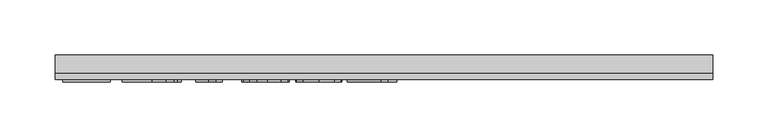
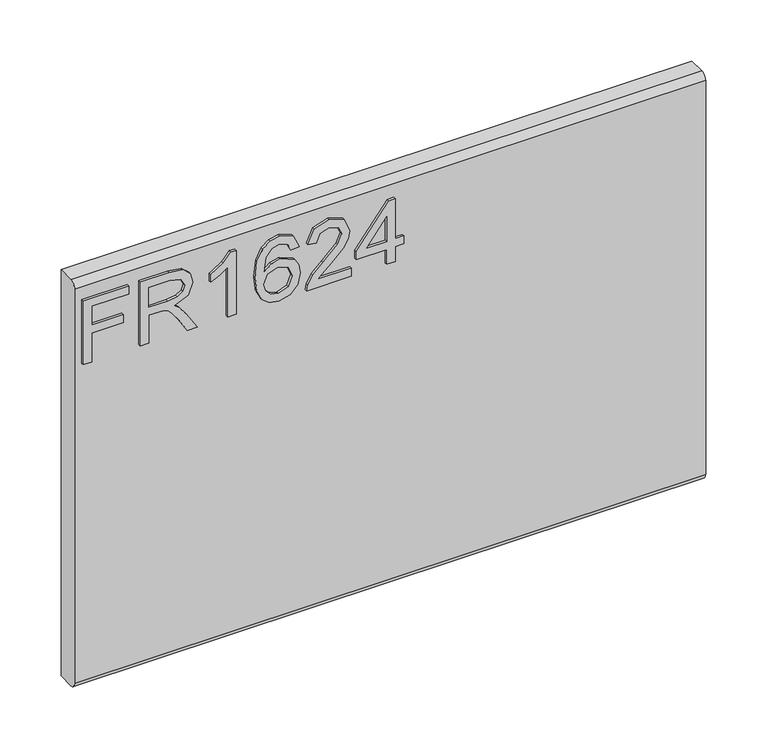
"""IFC4 building model written with IfcOpenShell, lengths in millimetres: furniture geometry."""

from ifc_helpers import new_model, si_unit, frame, origin, place, context, project, spatial, polyline, circle_curve, outline, extrude, source, transform, mapped, element, save
from ifc_brep_helpers import plane_surface, cylinder_surface, advanced_brep


def furniture_5d6506b7(model_context):
    return source(origin(), model_context, "Body", "SolidModel", [
        extrude(outline(polyline([(882.65, -291.4729953), (882.65, -283.4992757), (911.5547336, -283.4992757), (911.5547336, -253.5978271), (919.5284532, -253.5978271), (919.5284532, -283.4992757), (938.4660373, -283.4992757), (938.4660373, -248.6142524), (946.4397569, -248.6142524), (946.4397569, -291.4729953), (882.65, -291.4729953)])), frame((0.0, -15.0812439, 0.0), z_axis=(0.0, 1.0, 0.0), x_axis=(0.0, 0.0, 1.0)), (0.0, 0.0, 1.0), 2.38125),
        extrude(outline(polyline([(882.65, -237.6503879), (882.65, -229.6766683), (910.5580187, -229.6766683), (910.5580187, -220.0521395), (910.2776926, -215.4267592), (908.7592596, -211.6345703), (904.62445, -207.4218923), (895.8720468, -201.4260289), (882.65, -193.1252622), (882.65, -183.8589278), (899.936775, -194.4957452), (908.1440996, -200.9588187), (911.5547336, -205.490757), (917.4883023, -192.136334), (928.9816716, -187.8146403), (938.6295609, -190.4232302), (944.7188663, -197.4002349), (946.4397569, -210.1628584), (946.4397569, -237.6503879), (882.65, -237.6503879)]), holes=[polyline([(918.5317383, -229.6766683), (938.4660373, -229.6766683), (938.4660373, -209.8202376), (935.7094975, -199.1600597), (928.6857719, -195.7883599), (923.2739211, -197.5559716), (919.6608294, -202.7264304), (918.5317383, -211.8292412), (918.5317383, -229.6766683)])]), frame((0.0, -15.0812439, 0.0), z_axis=(0.0, 1.0, 0.0), x_axis=(0.0, 0.0, 1.0)), (0.0, 0.0, 1.0), 2.38125),
        extrude(outline(polyline([(882.65, -146.9493273), (946.4397569, -146.9493273), (946.4397569, -152.0886387), (937.9521062, -159.1824459), (930.4923177, -170.8704861), (922.9546609, -170.8704861), (926.9804549, -162.4762774), (932.3611582, -154.9230469), (882.65, -154.9230469), (882.65, -146.9493273)])), frame((0.0, -15.0812439, 0.0), z_axis=(0.0, 1.0, 0.0), x_axis=(0.0, 0.0, 1.0)), (0.0, 0.0, 1.0), 2.38125),
        extrude(outline(polyline([(929.4956028, -87.1464301), (941.938966, -93.0332778), (946.4397569, -105.6323778), (944.6215308, -114.8870318), (939.1668525, -122.0314534), (928.3081103, -127.2642069), (912.4268592, -129.0084581), (898.3015395, -127.437464), (888.8171738, -122.7244818), (883.4442572, -115.5197122), (881.653285, -106.473356), (884.355317, -96.0234227), (892.1421526, -88.7816656), (903.1449512, -86.1497152), (911.3172351, -87.5474522), (917.8309231, -91.7406631), (923.515313, -105.289757), (921.4362279, -114.003226), (915.0743833, -121.0347385), (929.2853582, -118.7687693), (936.5349021, -113.3257713), (938.4660373, -106.1307352), (935.1488454, -98.1414419), (928.4988878, -95.1201497), (929.4956028, -87.1464301)]), holes=[polyline([(903.2695406, -121.0347385), (912.15432, -117.0712392), (915.5415934, -107.4233499), (912.15432, -97.6508713), (902.8801988, -94.1234348), (893.1933754, -97.6975923), (889.6270047, -107.0963028), (891.3478953, -114.2835521), (896.3626174, -119.1892585), (903.2695406, -121.0347385)])]), frame((0.0, -15.0812439, 0.0), z_axis=(0.0, 1.0, 0.0), x_axis=(0.0, 0.0, 1.0)), (0.0, 0.0, 1.0), 2.38125),
        extrude(outline(polyline([(890.6237196, -38.3073975), (890.6237196, -69.6260501), (894.6806609, -66.0285321), (902.350694, -56.8556398), (913.2756243, -45.432352), (921.0936072, -40.7213165), (928.6546245, -39.3041124), (941.3315928, -44.5602264), (946.4397569, -58.833496), (941.845524, -73.0600446), (928.4988878, -79.1727105), (927.5021729, -71.1989909), (935.5537608, -67.8428648), (938.4660373, -59.0048064), (935.4836793, -50.5249425), (928.1718407, -47.277832), (919.1391115, -50.7196133), (905.85477, -64.4867386), (896.6117962, -74.4694618), (888.1475059, -79.3128735), (882.65, -80.1694255), (882.65, -38.3073975), (890.6237196, -38.3073975)])), frame((0.0, -15.0812439, 0.0), z_axis=(0.0, 1.0, 0.0), x_axis=(0.0, 0.0, 1.0)), (0.0, 0.0, 1.0), 2.38125),
        extrude(outline(polyline([(882.65, -4.4190891), (882.65, 3.5546305), (897.6007243, 3.5546305), (897.6007243, 11.5283502), (905.5744439, 11.5283502), (905.5744439, 3.5546305), (945.443042, 3.5546305), (945.443042, -2.4256592), (905.5744439, -33.3238227), (897.6007243, -33.3238227), (897.6007243, -4.4190891), (882.65, -4.4190891)]), holes=[polyline([(905.5744439, -4.4190891), (905.5744439, -23.5124099), (930.2119916, -4.4190891), (905.5744439, -4.4190891)])]), frame((0.0, -15.0812439, 0.0), z_axis=(0.0, 1.0, 0.0), x_axis=(0.0, 0.0, 1.0)), (0.0, 0.0, 1.0), 2.38125),
        advanced_brep(
        [(298.45, 9.5250061, 965.2), (298.45, -6.7309939, 965.2), (298.45, -12.6999939, 959.231), (298.45, -12.6999939, 564.769), (298.45, -6.7309939, 558.8), (298.45, 9.5250061, 558.8), (-298.45, 9.5250061, 965.2), (-298.45, 9.5250061, 558.8), (-298.45, -6.7309939, 558.8), (-298.45, -12.6999939, 564.769), (-298.45, -12.6999939, 959.2310121), (-298.45, -6.7309939, 965.2)],
        [
            (0, 1),
            (1, 2, circle_curve(frame((298.45, -6.7309939, 959.231), z_axis=(1.0, 0.0, 0.0), x_axis=(0.0, 1.0, 0.0)), 5.969)),
            (2, 3),
            (3, 4, circle_curve(frame((298.45, -6.7309939, 564.769), z_axis=(1.0, 0.0, 0.0), x_axis=(0.0, 1.0, 0.0)), 5.969)),
            (4, 5),
            (5, 0),
            (6, 7),
            (7, 8),
            (8, 9, circle_curve(frame((-298.45, -6.7309939, 564.769), z_axis=(-1.0, 0.0, 0.0), x_axis=(0.0, 1.0, 0.0)), 5.969)),
            (9, 10),
            (10, 11, circle_curve(frame((-298.45, -6.7309939, 959.231), z_axis=(-1.0, 0.0, 0.0), x_axis=(0.0, 1.0, 0.0)), 5.969)),
            (11, 6),
            (0, 6),
            (11, 1),
            (10, 2),
            (9, 3),
            (8, 4),
            (7, 5),
        ],
        [
            plane_surface(frame((298.45, -6.7309939, 965.2), z_axis=(1.0, 0.0, 0.0), x_axis=(0.0, -1.0, 0.0))),
            plane_surface(frame((-298.45, -6.7309939, 965.2), z_axis=(-1.0, 0.0, 0.0), x_axis=(0.0, 1.0, 0.0))),
            plane_surface(frame((298.45, 9.5250061, 965.2), z_axis=(0.0, 0.0, 1.0), x_axis=(-1.0, 0.0, 0.0))),
            cylinder_surface(frame((-298.45, -6.7309939, 959.231), z_axis=(1.0, 0.0, 0.0), x_axis=(0.0, 1.0, 0.0)), 5.969),
            plane_surface(frame((298.45, -12.6999939, 959.2310121), z_axis=(0.0, -1.0, 0.0), x_axis=(-1.0, 0.0, 0.0))),
            cylinder_surface(frame((-298.45, -6.7309939, 564.769), z_axis=(1.0, 0.0, 0.0), x_axis=(0.0, 1.0, 0.0)), 5.969),
            plane_surface(frame((298.45, -6.7309939, 558.8), z_axis=(0.0, 0.0, -1.0), x_axis=(-1.0, 0.0, 0.0))),
            plane_surface(frame((298.45, 9.5250061, 558.8), z_axis=(0.0, 1.0, 0.0), x_axis=(-1.0, 0.0, 0.0))),
        ],
        [
            (0, [[1, 2, 3, 4, 5, 6]]),
            (1, [[7, 8, 9, 10, 11, 12]]),
            (2, [[-1, 13, -12, 14]]),
            (3, [[-2, -14, -11, 15]]),
            (4, [[-3, -15, -10, 16]]),
            (5, [[-4, -16, -9, 17]]),
            (6, [[-5, -17, -8, 18]]),
            (7, [[-6, -18, -7, -13]]),
        ],
    ),
    ])


if __name__ == "__main__":
    model = new_model("IFC4")
    model_context = context("Model", 3, world=origin())
    ifc_project = project(units=[si_unit("LENGTHUNIT", "METRE", prefix="MILLI")], contexts=[model_context])
    site = spatial("IfcSite", under=ifc_project)
    building = spatial("IfcBuilding", under=site)
    placement = place(None, origin())
    furniture_shape = furniture_5d6506b7(model_context)
    element("IfcFurniture", 1, at=placement, inside=building, context=model_context, shape_type="MappedRepresentation", body=[
        mapped(furniture_shape, transform((0.0, 0.0, 0.0), x_axis=(1.0, 0.0, 0.0), y_axis=(0.0, 1.0, 0.0), z_axis=(0.0, 0.0, 1.0))),
    ])
    save(model, "model.ifc")
